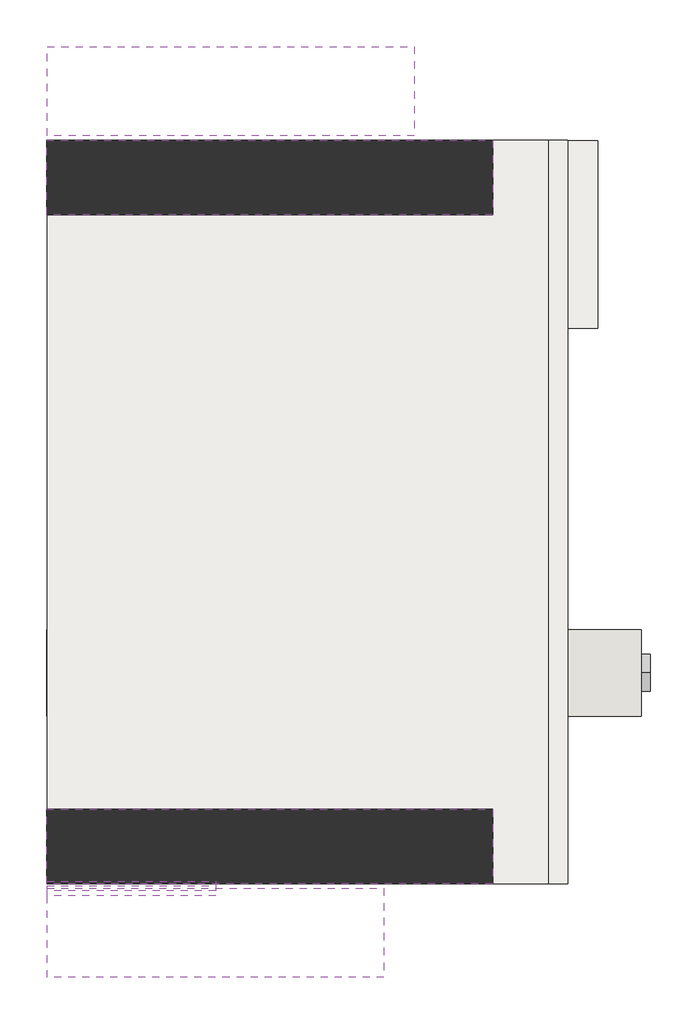
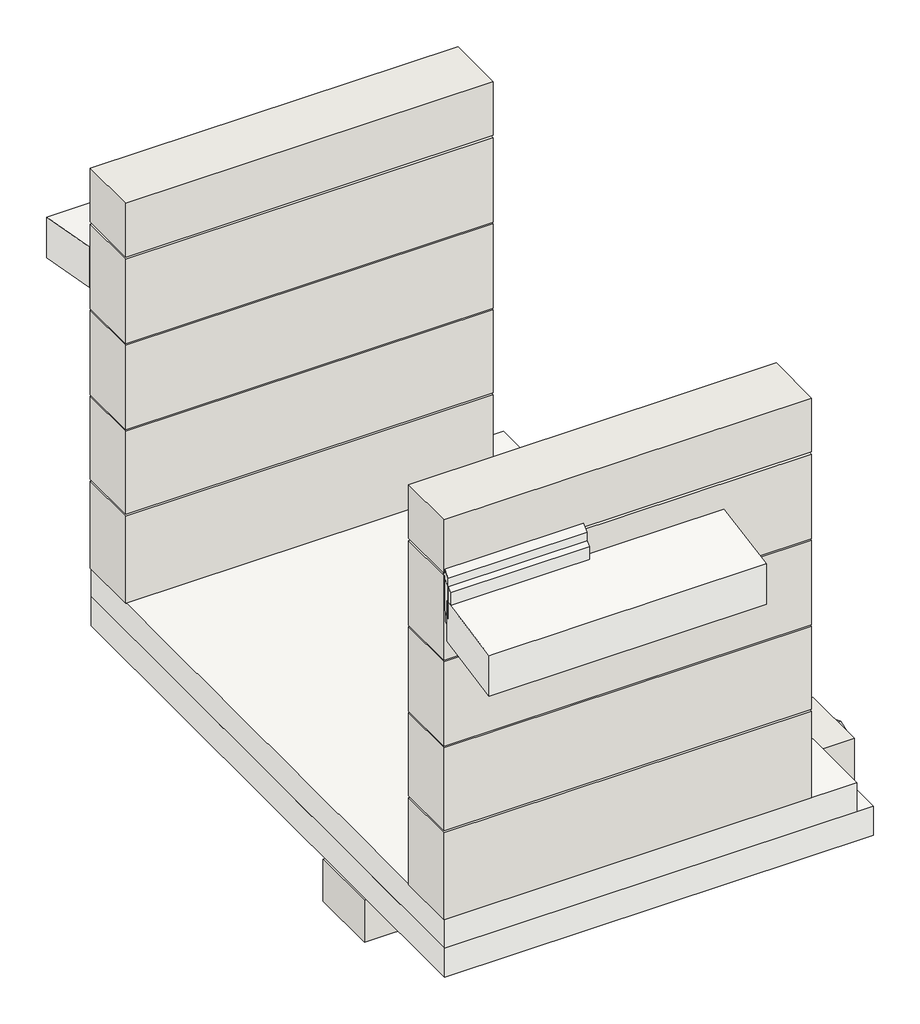
# One storey: 11 walls, 6 slabs, 1 covering, 1 duct segment.
"""IFC4 building model written with IfcOpenShell, lengths in millimetres."""

from ifc_helpers import new_model, si_unit, frame, origin, origin_with_axes, place, context, project, spatial, polyline, circle_curve, outline, extrude, element, save
from ifc_brep_helpers import plane_surface, cylinder_surface, advanced_brep

model = new_model("IFC4")

# Units and contexts
model_context = context("Model", 3, world=origin())
ifc_project = project(units=[si_unit("LENGTHUNIT", "METRE", prefix="MILLI")], contexts=[model_context])

# Site, building, storey
site = spatial("IfcSite", under=ifc_project)
building = spatial("IfcBuilding", under=site)
storey = spatial("IfcBuildingStorey", under=building, Elevation=0.0)

# Covering
placement = place(None, origin())
element("IfcCovering", 1, at=placement, inside=storey, context=model_context, shape_type="SweptSolid", body=[
    extrude(outline(polyline([(-14840.7481616, 2107.7280679), (-14840.7481616, 1350.7240492), (-14960.7481616, 1350.7240492), (-14960.7481616, 2107.7280679), (-14840.7481616, 2107.7280679)])), origin_with_axes(), (0.0, 0.0, 1.0), 57.0),
])

# Duct segment
element("IfcDuctSegment", 2, at=placement, inside=storey, context=model_context, shape_type="AdvancedBrep", body=[
    advanced_brep(
    [(-14628.0955819, -114.9045197, -66.6922562), (-14628.0955819, -39.9045197, -141.6922562), (-14628.0955819, 35.0954803, -66.6922562), (-14628.0955819, -39.9045197, 8.3077438), (-14739.1669136, -114.9045197, -66.6922562), (-14739.1669136, -39.9045197, -141.6922562), (-14739.1669136, 35.0954803, -66.6922562), (-14739.1669136, -39.9045197, 8.3077438), (-14850.2382452, -114.9045197, -66.6922562), (-14850.2382452, -39.9045197, 8.3077438), (-14850.2382452, 35.0954803, -66.6922562), (-14850.2382452, -39.9045197, -141.6922562)],
    [
        (0, 1, circle_curve(frame((-14628.0955819, -39.9045197, -66.6922562), z_axis=(1.0, 0.0, 0.0), x_axis=(0.0, -1.0, 0.0)), 75.0)),
        (1, 2, circle_curve(frame((-14628.0955819, -39.9045197, -66.6922562), z_axis=(1.0, 0.0, 0.0), x_axis=(0.0, -1.0, 0.0)), 75.0)),
        (2, 3, circle_curve(frame((-14628.0955819, -39.9045197, -66.6922562), z_axis=(1.0, 0.0, 0.0), x_axis=(0.0, -1.0, 0.0)), 75.0)),
        (3, 0, circle_curve(frame((-14628.0955819, -39.9045197, -66.6922562), z_axis=(1.0, 0.0, 0.0), x_axis=(0.0, -1.0, 0.0)), 75.0)),
        (0, 4),
        (4, 5, circle_curve(frame((-14739.1669136, -39.9045197, -66.6922562), z_axis=(1.0, 0.0, 0.0), x_axis=(0.0, -1.0, 0.0)), 75.0)),
        (5, 1),
        (5, 6, circle_curve(frame((-14739.1669136, -39.9045197, -66.6922562), z_axis=(1.0, 0.0, 0.0), x_axis=(0.0, -1.0, 0.0)), 75.0)),
        (6, 2),
        (6, 7, circle_curve(frame((-14739.1669136, -39.9045197, -66.6922562), z_axis=(1.0, 0.0, 0.0), x_axis=(0.0, -1.0, 0.0)), 75.0)),
        (7, 3),
        (7, 4, circle_curve(frame((-14739.1669136, -39.9045197, -66.6922562), z_axis=(1.0, 0.0, 0.0), x_axis=(0.0, -1.0, 0.0)), 75.0)),
        (8, 9, circle_curve(frame((-14850.2382452, -39.9045197, -66.6922562), z_axis=(-1.0, 0.0, 0.0), x_axis=(0.0, -1.0, 0.0)), 75.0)),
        (9, 10, circle_curve(frame((-14850.2382452, -39.9045197, -66.6922562), z_axis=(-1.0, 0.0, 0.0), x_axis=(0.0, -1.0, 0.0)), 75.0)),
        (10, 11, circle_curve(frame((-14850.2382452, -39.9045197, -66.6922562), z_axis=(-1.0, 0.0, 0.0), x_axis=(0.0, -1.0, 0.0)), 75.0)),
        (11, 8, circle_curve(frame((-14850.2382452, -39.9045197, -66.6922562), z_axis=(-1.0, 0.0, 0.0), x_axis=(0.0, -1.0, 0.0)), 75.0)),
        (4, 8),
        (11, 5),
        (10, 6),
        (9, 7),
    ],
    [
        plane_surface(frame((-14628.0955819, -39.9045197, -141.6922562), z_axis=(1.0, 0.0, 0.0), x_axis=(0.0, -1.0, 0.0))),
        cylinder_surface(frame((-14628.0955819, -39.9045197, -66.6922562), z_axis=(1.0, 0.0, 0.0), x_axis=(0.0, -1.0, 0.0)), 75.0),
        plane_surface(frame((-14850.2382452, -39.9045197, -141.6922562), z_axis=(-1.0, 0.0, 0.0), x_axis=(0.0, -1.0, 0.0))),
        cylinder_surface(frame((-14739.1669136, -39.9045197, -66.6922562), z_axis=(1.0, 0.0, 0.0), x_axis=(0.0, -1.0, 0.0)), 75.0),
    ],
    [
        (0, [[1, 2, 3, 4]]),
        (1, [[-1, 5, 6, 7]]),
        (1, [[-2, -7, 8, 9]]),
        (1, [[-3, -9, 10, 11]]),
        (1, [[-4, -11, 12, -5]]),
        (2, [[13, 14, 15, 16]]),
        (3, [[-6, 17, -16, 18]]),
        (3, [[-8, -18, -15, 19]]),
        (3, [[-10, -19, -14, 20]]),
        (3, [[-12, -20, -13, -17]]),
    ],
),
])

# Slabs
element("IfcSlab", 3, at=placement, inside=storey, context=model_context, shape_type="SweptSolid", body=[
    extrude(outline(polyline([(-17060.7481616, 2108.9836964), (-14960.7481616, 2108.9836964), (-14960.7481616, -891.0163036), (-17060.7481616, -891.0163036), (-17060.7481616, 2108.9836964)])), frame((0.0, 0.0, 50.0), z_axis=(0.0, 0.0, 1.0), x_axis=(1.0, 0.0, 0.0)), (0.0, 0.0, 1.0), 150.0),
])
element("IfcSlab", 4, at=placement, inside=storey, context=model_context, shape_type="SweptSolid", body=[
    extrude(outline(polyline([(-17060.7481616, 2108.9836964), (-15040.7481616, 2108.9836964), (-15040.7481616, -891.0163036), (-17060.7481616, -891.0163036), (-17060.7481616, 2108.9836964)])), frame((0.0, 0.0, 200.0), z_axis=(0.0, 0.0, 1.0), x_axis=(1.0, 0.0, 0.0)), (0.0, 0.0, 1.0), 150.0),
])
element("IfcSlab", 5, at=placement, inside=storey, context=model_context, shape_type="SweptSolid", body=[
    extrude(outline(polyline([(2126.8173461, 1792.6666595), (2126.8173461, 2002.6666595), (2486.8173461, 1937.6666595), (2486.8173461, 1727.6666595), (2126.8173461, 1792.6666595)])), frame((-17060.7481616, 0.0, 0.0), z_axis=(1.0, 0.0, 0.0), x_axis=(0.0, 1.0, 0.0)), (0.0, 0.0, 1.0), 1480.0),
])
element("IfcSlab", 6, at=placement, inside=storey, context=model_context, shape_type="SweptSolid", body=[
    extrude(outline(polyline([(-1268.9222178, 1735.0), (-1268.9222178, 1945.0), (-908.9222178, 2010.0), (-908.9222178, 1800.0), (-1268.9222178, 1735.0)])), frame((-17060.7481616, 0.0, 0.0), z_axis=(1.0, 0.0, 0.0), x_axis=(0.0, 1.0, 0.0)), (0.0, 0.0, 1.0), 1356.7784885),
])
element("IfcSlab", 7, at=placement, inside=storey, context=model_context, shape_type="SweptSolid", body=[
    extrude(outline(polyline([(-919.8631156, 1925.0), (-919.8631156, 2135.0), (-879.8631156, 2175.0), (-879.8631156, 1965.0), (-919.8631156, 1925.0)])), frame((-17060.7481616, 0.0, 0.0), z_axis=(1.0, 0.0, 0.0), x_axis=(0.0, 1.0, 0.0)), (0.0, 0.0, 1.0), 680.0),
])
element("IfcSlab", 8, at=placement, inside=storey, context=model_context, shape_type="SweptSolid", body=[
    extrude(outline(polyline([(-939.8636305, 1860.0), (-939.8636305, 2070.0), (-899.8636305, 2110.0), (-899.8636305, 1900.0), (-939.8636305, 1860.0)])), frame((-17060.7481616, 0.0, 0.0), z_axis=(1.0, 0.0, 0.0), x_axis=(0.0, 1.0, 0.0)), (0.0, 0.0, 1.0), 680.0),
])

# Walls
element("IfcWall", 9, at=placement, inside=storey, context=model_context, shape_type="SweptSolid", body=[
    extrude(outline(polyline([(-17063.9696732, -591.0163036), (-15263.9696732, -591.0163036), (-15263.9696732, -891.0163036), (-17063.9696732, -891.0163036), (-17063.9696732, -591.0163036)])), frame((0.0, 0.0, 350.0), z_axis=(0.0, 0.0, 1.0), x_axis=(1.0, 0.0, 0.0)), (0.0, 0.0, 1.0), 450.0),
])
element("IfcWall", 10, at=placement, inside=storey, context=model_context, shape_type="SweptSolid", body=[
    extrude(outline(polyline([(-17063.9696732, 2108.9836964), (-15263.9696732, 2108.9836964), (-15263.9696732, 1808.9836964), (-17063.9696732, 1808.9836964), (-17063.9696732, 2108.9836964)])), frame((0.0, 0.0, 350.0), z_axis=(0.0, 0.0, 1.0), x_axis=(1.0, 0.0, 0.0)), (0.0, 0.0, 1.0), 450.0),
])
element("IfcWall", 11, at=placement, inside=storey, context=model_context, shape_type="SweptSolid", body=[
    extrude(outline(polyline([(-17063.9696732, -591.0163036), (-15263.9696732, -591.0163036), (-15263.9696732, -891.0163036), (-17063.9696732, -891.0163036), (-17063.9696732, -591.0163036)])), frame((0.0, 0.0, 810.2791548), z_axis=(0.0, 0.0, 1.0), x_axis=(1.0, 0.0, 0.0)), (0.0, 0.0, 1.0), 429.7208452),
])
element("IfcWall", 12, at=placement, inside=storey, context=model_context, shape_type="SweptSolid", body=[
    extrude(outline(polyline([(-17063.9696732, 2108.9836964), (-15263.9696732, 2108.9836964), (-15263.9696732, 1808.9836964), (-17063.9696732, 1808.9836964), (-17063.9696732, 2108.9836964)])), frame((0.0, 0.0, 810.2791548), z_axis=(0.0, 0.0, 1.0), x_axis=(1.0, 0.0, 0.0)), (0.0, 0.0, 1.0), 429.7208452),
])
element("IfcWall", 13, at=placement, inside=storey, context=model_context, shape_type="SweptSolid", body=[
    extrude(outline(polyline([(-17063.9696732, -591.0163036), (-15263.9696732, -591.0163036), (-15263.9696732, -891.0163036), (-17063.9696732, -891.0163036), (-17063.9696732, -591.0163036)])), frame((0.0, 0.0, 1247.6666595), z_axis=(0.0, 0.0, 1.0), x_axis=(1.0, 0.0, 0.0)), (0.0, 0.0, 1.0), 437.3333405),
])
element("IfcWall", 14, at=placement, inside=storey, context=model_context, shape_type="SweptSolid", body=[
    extrude(outline(polyline([(-17063.9696732, 2108.9836964), (-15263.9696732, 2108.9836964), (-15263.9696732, 1808.9836964), (-17063.9696732, 1808.9836964), (-17063.9696732, 2108.9836964)])), frame((0.0, 0.0, 1247.6666595), z_axis=(0.0, 0.0, 1.0), x_axis=(1.0, 0.0, 0.0)), (0.0, 0.0, 1.0), 437.3333405),
])
element("IfcWall", 15, at=placement, inside=storey, context=model_context, shape_type="SweptSolid", body=[
    extrude(outline(polyline([(-17063.9696732, -591.0163036), (-15263.9696732, -591.0163036), (-15263.9696732, -891.0163036), (-17063.9696732, -891.0163036), (-17063.9696732, -591.0163036)])), frame((0.0, 0.0, 1692.6666595), z_axis=(0.0, 0.0, 1.0), x_axis=(1.0, 0.0, 0.0)), (0.0, 0.0, 1.0), 437.3333405),
])
element("IfcWall", 16, at=placement, inside=storey, context=model_context, shape_type="SweptSolid", body=[
    extrude(outline(polyline([(-17063.9696732, 2108.9836964), (-15263.9696732, 2108.9836964), (-15263.9696732, 1808.9836964), (-17063.9696732, 1808.9836964), (-17063.9696732, 2108.9836964)])), frame((0.0, 0.0, 1692.6666595), z_axis=(0.0, 0.0, 1.0), x_axis=(1.0, 0.0, 0.0)), (0.0, 0.0, 1.0), 437.3333405),
])
element("IfcWall", 17, at=placement, inside=storey, context=model_context, shape_type="SweptSolid", body=[
    extrude(outline(polyline([(-17063.9696732, -591.0163036), (-15263.9696732, -591.0163036), (-15263.9696732, -891.0163036), (-17063.9696732, -891.0163036), (-17063.9696732, -591.0163036)])), frame((0.0, 0.0, 2142.5783664), z_axis=(0.0, 0.0, 1.0), x_axis=(1.0, 0.0, 0.0)), (0.0, 0.0, 1.0), 277.4216336),
])
element("IfcWall", 18, at=placement, inside=storey, context=model_context, shape_type="SweptSolid", body=[
    extrude(outline(polyline([(-17063.9696732, 2108.9836964), (-15263.9696732, 2108.9836964), (-15263.9696732, 1808.9836964), (-17063.9696732, 1808.9836964), (-17063.9696732, 2108.9836964)])), frame((0.0, 0.0, 2142.5783664), z_axis=(0.0, 0.0, 1.0), x_axis=(1.0, 0.0, 0.0)), (0.0, 0.0, 1.0), 277.4216336),
])
element("IfcWall", 19, at=placement, inside=storey, context=model_context, shape_type="SweptSolid", body=[
    extrude(outline(polyline([(-17063.9696732, 135.0954803), (-14663.9696732, 135.0954803), (-14663.9696732, -214.9045197), (-17063.9696732, -214.9045197), (-17063.9696732, 135.0954803)])), frame((0.0, 0.0, -177.8647683), z_axis=(0.0, 0.0, 1.0), x_axis=(1.0, 0.0, 0.0)), (0.0, 0.0, 1.0), 217.8647683),
])

save(model, "model.ifc")
